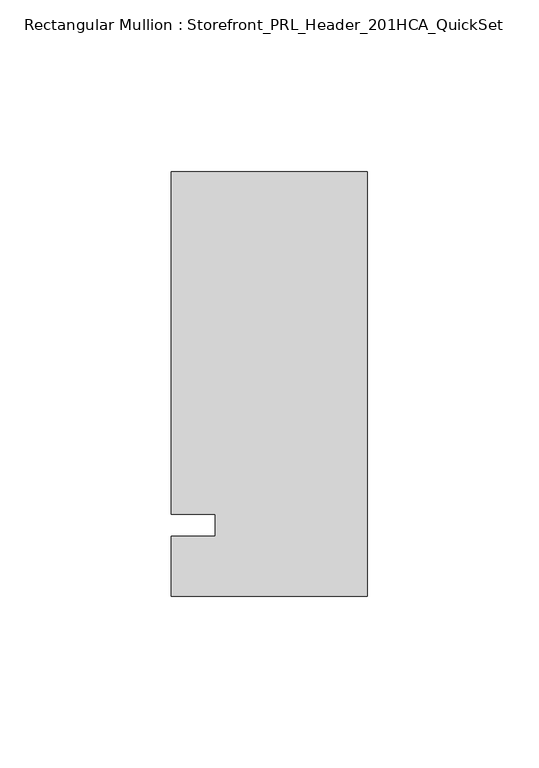
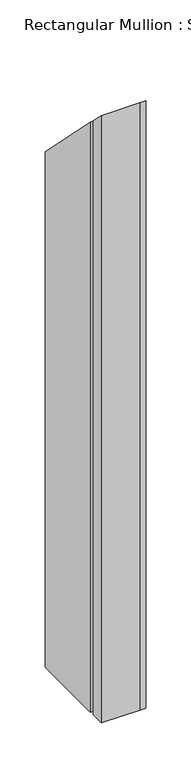
"""IFC4 building model written with IfcOpenShell, lengths in millimetres: member geometry, Rectangular Mullion : Storefront_PRL_Header_201HCA_QuickSet."""

from ifc_helpers import new_model, si_unit, origin, place, context, project, spatial, faceted_brep, source, transform, mapped, element, save


def rectangular_mullion_storefront_prl_header_201hca_quickset_45b85aac(model_context):
    return source(origin(), model_context, "Body", "Brep", [
        faceted_brep([(-44.45, 3.175, -800.1), (-57.15, 3.175, -800.1), (-57.15, 103.1875, -800.1), (-6.35, 103.1875, -800.1), (0.0, 103.1875, -800.1), (0.0, -20.6375, -800.1), (-7.7254924, -20.6375, -800.1), (-57.15, -20.6375, -800.1), (-57.15, -3.175, -800.1), (-44.45, -3.175, -800.1), (-44.45, -3.175, 3.175), (-44.45, 3.175, -3.175), (-57.15, -3.175, 3.175), (-57.15, -20.6375, 20.6375), (-7.7254924, -20.6375, 20.6375), (0.0, -20.6375, 20.6375), (0.0, 103.1875, -103.1875), (-6.35, 103.1875, -103.1875), (-57.15, 103.1875, -103.1875), (-57.15, 3.175, -3.175)], [[[0, 1, 2, 3, 4, 5, 6, 7, 8, 9]], [[10, 11, 0, 9]], [[12, 10, 9, 8]], [[13, 12, 8, 7]], [[14, 13, 7, 6]], [[15, 14, 6, 5]], [[16, 15, 5, 4]], [[17, 16, 4, 3]], [[18, 17, 3, 2]], [[19, 18, 2, 1]], [[11, 19, 1, 0]], [[11, 10, 12, 13, 14, 15, 16, 17, 18, 19]]]),
    ])


if __name__ == "__main__":
    model = new_model("IFC4")
    model_context = context("Model", 3, world=origin())
    ifc_project = project(units=[si_unit("LENGTHUNIT", "METRE", prefix="MILLI")], contexts=[model_context])
    site = spatial("IfcSite", under=ifc_project)
    building = spatial("IfcBuilding", under=site)
    placement = place(None, origin())
    rectangular_mullion_storefront_prl_header_201hca_quickset_shape = rectangular_mullion_storefront_prl_header_201hca_quickset_45b85aac(model_context)
    element("IfcMember", 1, ObjectType="Rectangular Mullion : Storefront_PRL_Header_201HCA_QuickSet", at=placement, inside=building, context=model_context, shape_type="MappedRepresentation", body=[
        mapped(rectangular_mullion_storefront_prl_header_201hca_quickset_shape, transform((0.0, 0.0, 0.0), x_axis=(1.0, 0.0, 0.0), y_axis=(0.0, 1.0, 0.0), z_axis=(0.0, 0.0, 1.0))),
    ])
    save(model, "model.ifc")
